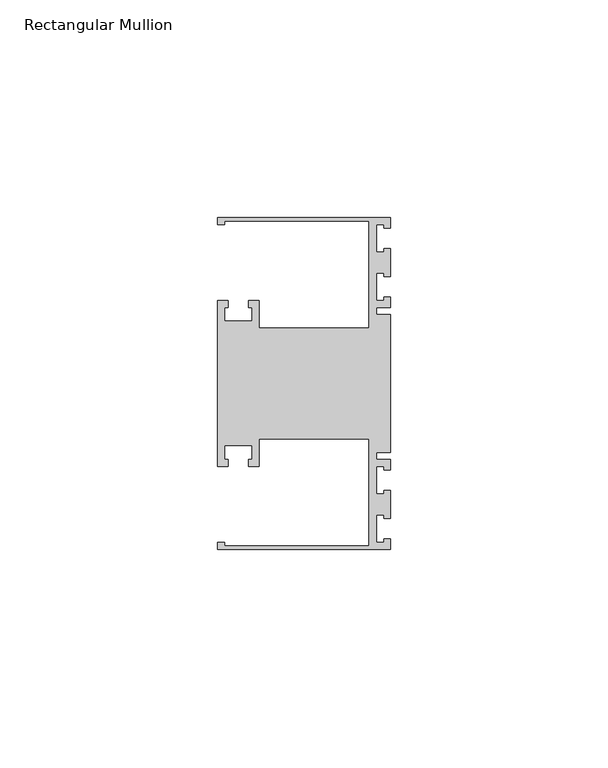
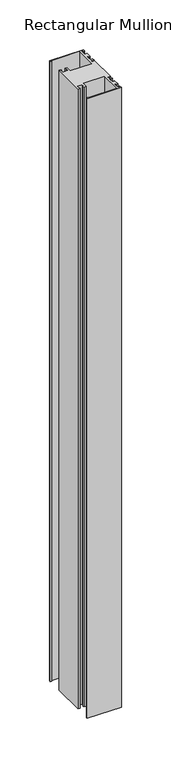
"""IFC4 building model written with IfcOpenShell, lengths in millimetres: member geometry, Rectangular Mullion."""

import ifcopenshell
import ifcopenshell.guid

model = None  # the IFC model being written
_history = None  # IfcOwnerHistory: only IFC2X3 demands one
_inside = {}  # id of a spatial element -> (the spatial element, [elements in it])
_under = {}  # id of a project, library or spatial element -> (it, [spatial elements below it])
_declared = {}  # id of a project -> (the project, [libraries it declares])
_typed = {}  # id of a type object -> (the type object, [elements of that type])
_made_of = {}  # id of a material, layer set ... -> (it, [elements and type objects made of it])


def new_model(schema):
    """Start an empty IFC model of exactly this schema.

    Asked for "IFC4X3", IfcOpenShell would pick the latest addendum, in which some entities
    have other attributes; the version numbers below select the first issue.
    IFC2X3 requires an IfcOwnerHistory on every rooted entity: one is made here for all.
    """
    global model, _history
    if schema == "IFC4X3":
        model = ifcopenshell.file(schema_version=(4, 3, 0, 0))
    else:
        model = ifcopenshell.file(schema=schema)
    _inside.clear()
    _under.clear()
    _declared.clear()
    _typed.clear()
    _made_of.clear()
    _history = None
    if model.schema == "IFC2X3":
        org = make("IfcOrganization", Name="unknown")
        user = make(
            "IfcPersonAndOrganization",
            ThePerson=make("IfcPerson", FamilyName="unknown"),
            TheOrganization=org,
        )
        app = make(
            "IfcApplication",
            ApplicationDeveloper=org,
            Version="unknown",
            ApplicationFullName="unknown",
            ApplicationIdentifier="unknown",
        )
        _history = make(
            "IfcOwnerHistory",
            OwningUser=user,
            OwningApplication=app,
            ChangeAction="ADDED",
            CreationDate=0,
        )
    return model


def make(cls, **values):
    """One entity of the class cls with the attributes given. An attribute that is None is left unset."""
    return model.create_entity(
        cls, **{name: value for name, value in values.items() if value is not None}
    )


def rooted(cls, **values):
    """An entity with a GlobalId (a new one), such as an element, a storey or a relation."""
    return make(cls, GlobalId=ifcopenshell.guid.new(), OwnerHistory=_history, **values)


def si_unit(unit_type, name, prefix=None):
    """IfcSIUnit, for example si_unit("LENGTHUNIT", "METRE", prefix="MILLI")."""
    return make("IfcSIUnit", UnitType=unit_type, Prefix=prefix, Name=name)


def assignment(units):
    """IfcUnitAssignment: the units of a project."""
    return None if units is None else make("IfcUnitAssignment", Units=units)


def point(xyz):
    """IfcCartesianPoint."""
    return None if xyz is None else make("IfcCartesianPoint", Coordinates=xyz)


def direction(xyz):
    """IfcDirection."""
    return None if xyz is None else make("IfcDirection", DirectionRatios=xyz)


def frame(location, z_axis=None, x_axis=None):
    """IfcAxis2Placement3D, a coordinate frame: its origin and axes. An axis left out is left unset."""
    return make(
        "IfcAxis2Placement3D",
        Location=point(location),
        Axis=direction(z_axis),
        RefDirection=direction(x_axis),
    )


def origin():
    """The frame at (0, 0, 0) with its axes left unset."""
    return frame((0.0, 0.0, 0.0))


def place(relative_to, where):
    """IfcLocalPlacement: puts the frame where relative to a parent placement (None: the world)."""
    return make(
        "IfcLocalPlacement", PlacementRelTo=relative_to, RelativePlacement=where
    )


def context(
    kind, dimensions, precision=None, world=None, true_north=None, identifier=None
):
    """IfcGeometricRepresentationContext, for example the 3D "Model" context."""
    return make(
        "IfcGeometricRepresentationContext",
        ContextIdentifier=identifier,
        ContextType=kind,
        CoordinateSpaceDimension=dimensions,
        Precision=precision,
        WorldCoordinateSystem=world,
        TrueNorth=true_north,
    )


def project(units=None, contexts=None):
    """IfcProject with its units and contexts."""
    return rooted(
        "IfcProject",
        Name="project",
        RepresentationContexts=contexts,
        UnitsInContext=assignment(units),
    )


def spatial(cls, under=None, at=None, **own):
    """A site, building, storey or space (cls), placed at a placement, below another one or the project."""
    s = rooted(cls, ObjectPlacement=at, **own)
    if under is not None:
        _under.setdefault(under.id(), (under, []))[1].append(s)
    return s


def polyline(points):
    """IfcPolyline through the points."""
    return make("IfcPolyline", Points=[point(p) for p in points])


def outline(outer, holes=None, kind="AREA"):
    """IfcArbitraryClosedProfileDef: a profile drawn as a closed curve; with holes, ...WithVoids."""
    if holes is None:
        return make("IfcArbitraryClosedProfileDef", ProfileType=kind, OuterCurve=outer)
    return make(
        "IfcArbitraryProfileDefWithVoids",
        ProfileType=kind,
        OuterCurve=outer,
        InnerCurves=holes,
    )


def extrude(swept, where, along, depth):
    """IfcExtrudedAreaSolid: the profile swept, set in the frame where, extruded along a direction by depth."""
    return make(
        "IfcExtrudedAreaSolid",
        SweptArea=swept,
        Position=where,
        ExtrudedDirection=direction(along),
        Depth=depth,
    )


def shape(context_of_items, identifier, shape_type, items):
    """IfcShapeRepresentation: the items that make up one representation, for example the "Body"."""
    return make(
        "IfcShapeRepresentation",
        ContextOfItems=context_of_items,
        RepresentationIdentifier=identifier,
        RepresentationType=shape_type,
        Items=items,
    )


def source(mapping_origin, context_of_items, identifier, shape_type, items):
    """IfcRepresentationMap: a shape defined once, which mapped items show again and again."""
    return make(
        "IfcRepresentationMap",
        MappingOrigin=mapping_origin,
        MappedRepresentation=shape(context_of_items, identifier, shape_type, items),
    )


def transform(
    local_origin,
    x_axis=None,
    y_axis=None,
    z_axis=None,
    scale=None,
    scale2=None,
    scale3=None,
    uniform=True,
):
    """IfcCartesianTransformationOperator3D, or its non-uniform kind. x_axis, y_axis, z_axis: its Axis1, 2, 3."""
    if uniform:
        return make(
            "IfcCartesianTransformationOperator3D",
            Axis1=direction(x_axis),
            Axis2=direction(y_axis),
            LocalOrigin=point(local_origin),
            Scale=scale,
            Axis3=direction(z_axis),
        )
    return make(
        "IfcCartesianTransformationOperator3DnonUniform",
        Axis1=direction(x_axis),
        Axis2=direction(y_axis),
        LocalOrigin=point(local_origin),
        Scale=scale,
        Axis3=direction(z_axis),
        Scale2=scale2,
        Scale3=scale3,
    )


def mapped(mapping_source, mapping_target):
    """IfcMappedItem: shows the shape of a source again, moved by a transform."""
    return make(
        "IfcMappedItem", MappingSource=mapping_source, MappingTarget=mapping_target
    )


def made_of(thing, what):
    """Note that an element or type object is made of a material, layer set ...; save() writes the relation."""
    if what is not None:
        _made_of.setdefault(what.id(), (what, []))[1].append(thing)
    return thing


def element(
    cls,
    number,
    at=None,
    inside=None,
    cuts=None,
    type_object=None,
    material=None,
    context=None,
    identifier="Body",
    shape_type=None,
    held_by="IfcProductDefinitionShape",
    body=None,
    shapes=None,
    **own,
):
    """One element of the class cls, such as IfcWall. Its Tag is "e" and its number.

    at: its placement. inside: the storey or other place that contains it. cuts: it is an
    opening in that element (IfcRelVoidsElement). A single representation is given by context,
    identifier, shape_type and body (its items); several are given by shapes. held_by: the class
    of the entity that holds the representations. save() writes the other relations.
    """
    e = rooted(cls, Tag="e%d" % number, ObjectPlacement=at, **own)
    if body is not None:
        shapes = [shape(context, identifier, shape_type, body)]
    if shapes is not None:
        e.Representation = make(held_by, Representations=shapes)
    if inside is not None:
        _inside.setdefault(inside.id(), (inside, []))[1].append(e)
    if cuts is not None:
        rooted(
            "IfcRelVoidsElement", RelatingBuildingElement=cuts, RelatedOpeningElement=e
        )
    if type_object is not None:
        _typed.setdefault(type_object.id(), (type_object, []))[1].append(e)
    return made_of(e, material)


def aggregate(whole, parts):
    """IfcRelAggregates: a whole, such as a stair, and the parts it consists of."""
    return rooted("IfcRelAggregates", RelatingObject=whole, RelatedObjects=parts)


def save(model, path):
    """Write the relations noted so far, then the file.

    IfcRelAggregates (storeys below a building ...), IfcRelContainedInSpatialStructure (elements
    in a storey), IfcRelDefinesByType, IfcRelAssociatesMaterial and IfcRelDeclares: one each for
    every whole, place, type object, material and project.
    """
    for whole, parts in _under.values():
        aggregate(whole, parts)
    for where, things in _inside.values():
        rooted(
            "IfcRelContainedInSpatialStructure",
            RelatedElements=things,
            RelatingStructure=where,
        )
    for kind, things in _typed.values():
        rooted("IfcRelDefinesByType", RelatedObjects=things, RelatingType=kind)
    for what, things in _made_of.values():
        rooted("IfcRelAssociatesMaterial", RelatedObjects=things, RelatingMaterial=what)
    for by, libraries in _declared.values():
        rooted("IfcRelDeclares", RelatingContext=by, RelatedDefinitions=libraries)
    model.write(path)


def rectangular_mullion_76432390(model_context):
    return source(origin(), model_context, "Body", "SweptSolid", [
        extrude(outline(polyline([(0.0, 38.1), (0.0, 35.71875), (-1.4999946, 35.71875), (-1.4999946, 36.5125), (-3.175, 36.5125), (-3.175, 30.1625), (-1.4999946, 30.1625), (-1.4999946, 30.95625), (0.0, 30.95625), (0.0, 24.60625), (-1.4999946, 24.60625), (-1.4999946, 25.4), (-3.175, 25.4), (-3.175, 19.05), (-1.4999946, 19.05), (-1.4999946, 19.84375), (0.0, 19.84375), (0.0, 17.4625), (-3.175, 17.4625), (-3.175, 15.875), (0.0, 15.875), (0.0, -15.875), (-3.175, -15.875), (-3.175, -17.4625), (0.0, -17.4625), (0.0, -19.84375), (-1.4999946, -19.84375), (-1.4999946, -19.05), (-3.175, -19.05), (-3.175, -25.4), (-1.4999946, -25.4), (-1.4999946, -24.60625), (0.0, -24.60625), (0.0, -30.95625), (-1.4999946, -30.95625), (-1.4999946, -30.1625), (-3.175, -30.1625), (-3.175, -36.5125), (-1.4999946, -36.5125), (-1.4999946, -35.71875), (0.0, -35.71875), (0.0, -38.1), (-39.6875, -38.1), (-39.6875, -36.5125), (-38.1, -36.5125), (-38.1, -37.30625), (-4.8585733, -37.30625), (-4.8585733, -12.6999969), (-30.1625, -12.6999969), (-30.1625, -19.05), (-32.54375, -19.05), (-32.54375, -17.4625), (-31.75, -17.4625), (-31.75, -14.2875), (-38.1, -14.2875), (-38.1, -17.4625), (-37.30625, -17.4625), (-37.30625, -19.05), (-39.6875, -19.05), (-39.6875, 19.05), (-37.30625, 19.05), (-37.30625, 17.4625), (-38.1, 17.4625), (-38.1, 14.2875), (-31.75, 14.2875), (-31.75, 17.4625), (-32.54375, 17.4625), (-32.54375, 19.05), (-30.1625, 19.05), (-30.1625, 12.6999969), (-4.8585733, 12.6999969), (-4.8585733, 37.30625), (-38.1, 37.30625), (-38.1, 36.5125), (-39.6875, 36.5125), (-39.6875, 38.1), (0.0, 38.1)])), frame((0.0, 0.0, -762.0), z_axis=(0.0, 0.0, 1.0), x_axis=(1.0, 0.0, 0.0)), (0.0, 0.0, 1.0), 762.0),
    ])


if __name__ == "__main__":
    model = new_model("IFC4")
    model_context = context("Model", 3, world=origin())
    ifc_project = project(units=[si_unit("LENGTHUNIT", "METRE", prefix="MILLI")], contexts=[model_context])
    site = spatial("IfcSite", under=ifc_project)
    building = spatial("IfcBuilding", under=site)
    placement = place(None, origin())
    rectangular_mullion_shape = rectangular_mullion_76432390(model_context)
    element("IfcMember", 1, ObjectType="Rectangular Mullion", at=placement, inside=building, context=model_context, shape_type="MappedRepresentation", body=[
        mapped(rectangular_mullion_shape, transform((0.0, 0.0, 0.0), x_axis=(1.0, 0.0, 0.0), y_axis=(0.0, 1.0, 0.0), z_axis=(0.0, 0.0, 1.0))),
    ])
    save(model, "model.ifc")
